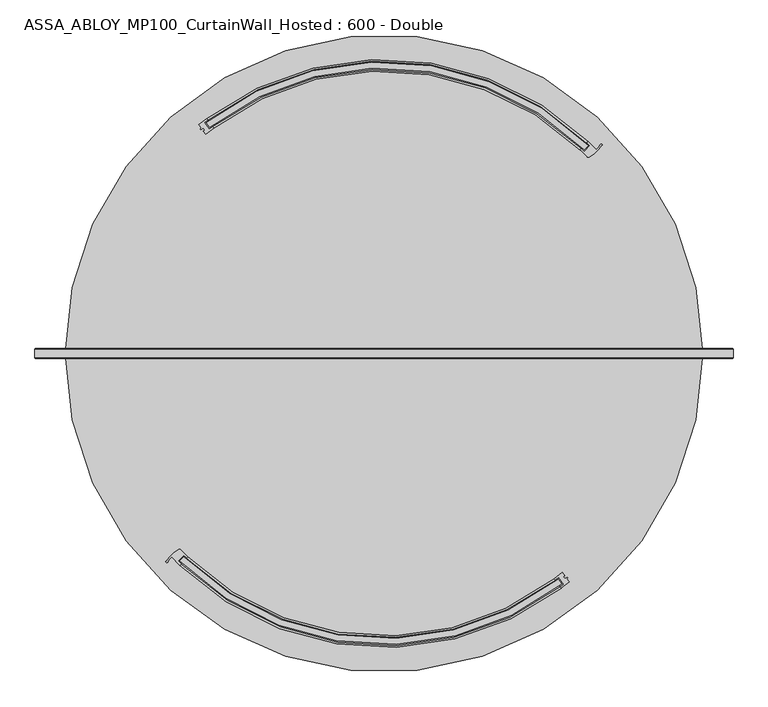
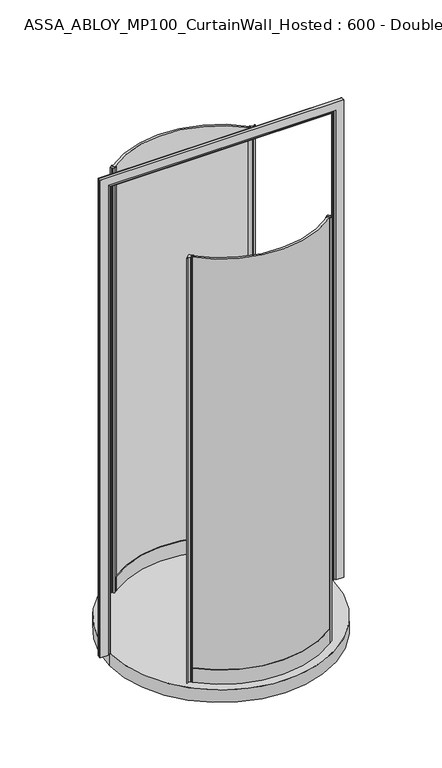
"""IFC4 building model written with IfcOpenShell, lengths in millimetres: plate geometry, ASSA_ABLOY_MP100_CurtainWall_Hosted : 600 - Double."""

import ifcopenshell
import ifcopenshell.guid

model = None  # the IFC model being written
_history = None  # IfcOwnerHistory: only IFC2X3 demands one
_inside = {}  # id of a spatial element -> (the spatial element, [elements in it])
_under = {}  # id of a project, library or spatial element -> (it, [spatial elements below it])
_declared = {}  # id of a project -> (the project, [libraries it declares])
_typed = {}  # id of a type object -> (the type object, [elements of that type])
_made_of = {}  # id of a material, layer set ... -> (it, [elements and type objects made of it])


def new_model(schema):
    """Start an empty IFC model of exactly this schema.

    Asked for "IFC4X3", IfcOpenShell would pick the latest addendum, in which some entities
    have other attributes; the version numbers below select the first issue.
    IFC2X3 requires an IfcOwnerHistory on every rooted entity: one is made here for all.
    """
    global model, _history
    if schema == "IFC4X3":
        model = ifcopenshell.file(schema_version=(4, 3, 0, 0))
    else:
        model = ifcopenshell.file(schema=schema)
    _inside.clear()
    _under.clear()
    _declared.clear()
    _typed.clear()
    _made_of.clear()
    _history = None
    if model.schema == "IFC2X3":
        org = make("IfcOrganization", Name="unknown")
        user = make(
            "IfcPersonAndOrganization",
            ThePerson=make("IfcPerson", FamilyName="unknown"),
            TheOrganization=org,
        )
        app = make(
            "IfcApplication",
            ApplicationDeveloper=org,
            Version="unknown",
            ApplicationFullName="unknown",
            ApplicationIdentifier="unknown",
        )
        _history = make(
            "IfcOwnerHistory",
            OwningUser=user,
            OwningApplication=app,
            ChangeAction="ADDED",
            CreationDate=0,
        )
    return model


def make(cls, **values):
    """One entity of the class cls with the attributes given. An attribute that is None is left unset."""
    return model.create_entity(
        cls, **{name: value for name, value in values.items() if value is not None}
    )


def rooted(cls, **values):
    """An entity with a GlobalId (a new one), such as an element, a storey or a relation."""
    return make(cls, GlobalId=ifcopenshell.guid.new(), OwnerHistory=_history, **values)


def si_unit(unit_type, name, prefix=None):
    """IfcSIUnit, for example si_unit("LENGTHUNIT", "METRE", prefix="MILLI")."""
    return make("IfcSIUnit", UnitType=unit_type, Prefix=prefix, Name=name)


def assignment(units):
    """IfcUnitAssignment: the units of a project."""
    return None if units is None else make("IfcUnitAssignment", Units=units)


def point(xyz):
    """IfcCartesianPoint."""
    return None if xyz is None else make("IfcCartesianPoint", Coordinates=xyz)


def direction(xyz):
    """IfcDirection."""
    return None if xyz is None else make("IfcDirection", DirectionRatios=xyz)


def frame(location, z_axis=None, x_axis=None):
    """IfcAxis2Placement3D, a coordinate frame: its origin and axes. An axis left out is left unset."""
    return make(
        "IfcAxis2Placement3D",
        Location=point(location),
        Axis=direction(z_axis),
        RefDirection=direction(x_axis),
    )


def frame_2d(location, x_axis=None):
    """IfcAxis2Placement2D, a coordinate frame in the plane: its origin and x axis."""
    return make(
        "IfcAxis2Placement2D", Location=point(location), RefDirection=direction(x_axis)
    )


def origin():
    """The frame at (0, 0, 0) with its axes left unset."""
    return frame((0.0, 0.0, 0.0))


def origin_with_axes():
    """The frame at (0, 0, 0) with the z axis (0, 0, 1) and the x axis (1, 0, 0) written out."""
    return frame((0.0, 0.0, 0.0), z_axis=(0.0, 0.0, 1.0), x_axis=(1.0, 0.0, 0.0))


def origin_2d():
    """The frame at (0, 0) in the plane with its x axis left unset."""
    return frame_2d((0.0, 0.0))


def place(relative_to, where):
    """IfcLocalPlacement: puts the frame where relative to a parent placement (None: the world)."""
    return make(
        "IfcLocalPlacement", PlacementRelTo=relative_to, RelativePlacement=where
    )


def context(
    kind, dimensions, precision=None, world=None, true_north=None, identifier=None
):
    """IfcGeometricRepresentationContext, for example the 3D "Model" context."""
    return make(
        "IfcGeometricRepresentationContext",
        ContextIdentifier=identifier,
        ContextType=kind,
        CoordinateSpaceDimension=dimensions,
        Precision=precision,
        WorldCoordinateSystem=world,
        TrueNorth=true_north,
    )


def project(units=None, contexts=None):
    """IfcProject with its units and contexts."""
    return rooted(
        "IfcProject",
        Name="project",
        RepresentationContexts=contexts,
        UnitsInContext=assignment(units),
    )


def spatial(cls, under=None, at=None, **own):
    """A site, building, storey or space (cls), placed at a placement, below another one or the project."""
    s = rooted(cls, ObjectPlacement=at, **own)
    if under is not None:
        _under.setdefault(under.id(), (under, []))[1].append(s)
    return s


def polyline(points):
    """IfcPolyline through the points."""
    return make("IfcPolyline", Points=[point(p) for p in points])


def circle_curve(where, radius):
    """IfcCircle in the frame where."""
    return make("IfcCircle", Position=where, Radius=radius)


def ellipse_curve(where, semi_axis1, semi_axis2):
    """IfcEllipse in the frame where."""
    return make(
        "IfcEllipse", Position=where, SemiAxis1=semi_axis1, SemiAxis2=semi_axis2
    )


def trimmed(basis, trim1, trim2, sense, master):
    """IfcTrimmedCurve: the piece of a basis curve between two trims."""
    return make(
        "IfcTrimmedCurve",
        BasisCurve=basis,
        Trim1=trim1,
        Trim2=trim2,
        SenseAgreement=sense,
        MasterRepresentation=master,
    )


def segment(curve, same_sense, transition):
    """IfcCompositeCurveSegment."""
    return make(
        "IfcCompositeCurveSegment",
        Transition=transition,
        SameSense=same_sense,
        ParentCurve=curve,
    )


def composite_curve(segments, self_intersect=None):
    """IfcCompositeCurve: segments joined end to end."""
    return make("IfcCompositeCurve", Segments=segments, SelfIntersect=self_intersect)


def outline(outer, holes=None, kind="AREA"):
    """IfcArbitraryClosedProfileDef: a profile drawn as a closed curve; with holes, ...WithVoids."""
    if holes is None:
        return make("IfcArbitraryClosedProfileDef", ProfileType=kind, OuterCurve=outer)
    return make(
        "IfcArbitraryProfileDefWithVoids",
        ProfileType=kind,
        OuterCurve=outer,
        InnerCurves=holes,
    )


def extrude(swept, where, along, depth):
    """IfcExtrudedAreaSolid: the profile swept, set in the frame where, extruded along a direction by depth."""
    return make(
        "IfcExtrudedAreaSolid",
        SweptArea=swept,
        Position=where,
        ExtrudedDirection=direction(along),
        Depth=depth,
    )


def shape(context_of_items, identifier, shape_type, items):
    """IfcShapeRepresentation: the items that make up one representation, for example the "Body"."""
    return make(
        "IfcShapeRepresentation",
        ContextOfItems=context_of_items,
        RepresentationIdentifier=identifier,
        RepresentationType=shape_type,
        Items=items,
    )


def source(mapping_origin, context_of_items, identifier, shape_type, items):
    """IfcRepresentationMap: a shape defined once, which mapped items show again and again."""
    return make(
        "IfcRepresentationMap",
        MappingOrigin=mapping_origin,
        MappedRepresentation=shape(context_of_items, identifier, shape_type, items),
    )


def transform(
    local_origin,
    x_axis=None,
    y_axis=None,
    z_axis=None,
    scale=None,
    scale2=None,
    scale3=None,
    uniform=True,
):
    """IfcCartesianTransformationOperator3D, or its non-uniform kind. x_axis, y_axis, z_axis: its Axis1, 2, 3."""
    if uniform:
        return make(
            "IfcCartesianTransformationOperator3D",
            Axis1=direction(x_axis),
            Axis2=direction(y_axis),
            LocalOrigin=point(local_origin),
            Scale=scale,
            Axis3=direction(z_axis),
        )
    return make(
        "IfcCartesianTransformationOperator3DnonUniform",
        Axis1=direction(x_axis),
        Axis2=direction(y_axis),
        LocalOrigin=point(local_origin),
        Scale=scale,
        Axis3=direction(z_axis),
        Scale2=scale2,
        Scale3=scale3,
    )


def mapped(mapping_source, mapping_target):
    """IfcMappedItem: shows the shape of a source again, moved by a transform."""
    return make(
        "IfcMappedItem", MappingSource=mapping_source, MappingTarget=mapping_target
    )


def made_of(thing, what):
    """Note that an element or type object is made of a material, layer set ...; save() writes the relation."""
    if what is not None:
        _made_of.setdefault(what.id(), (what, []))[1].append(thing)
    return thing


def element(
    cls,
    number,
    at=None,
    inside=None,
    cuts=None,
    type_object=None,
    material=None,
    context=None,
    identifier="Body",
    shape_type=None,
    held_by="IfcProductDefinitionShape",
    body=None,
    shapes=None,
    **own,
):
    """One element of the class cls, such as IfcWall. Its Tag is "e" and its number.

    at: its placement. inside: the storey or other place that contains it. cuts: it is an
    opening in that element (IfcRelVoidsElement). A single representation is given by context,
    identifier, shape_type and body (its items); several are given by shapes. held_by: the class
    of the entity that holds the representations. save() writes the other relations.
    """
    e = rooted(cls, Tag="e%d" % number, ObjectPlacement=at, **own)
    if body is not None:
        shapes = [shape(context, identifier, shape_type, body)]
    if shapes is not None:
        e.Representation = make(held_by, Representations=shapes)
    if inside is not None:
        _inside.setdefault(inside.id(), (inside, []))[1].append(e)
    if cuts is not None:
        rooted(
            "IfcRelVoidsElement", RelatingBuildingElement=cuts, RelatedOpeningElement=e
        )
    if type_object is not None:
        _typed.setdefault(type_object.id(), (type_object, []))[1].append(e)
    return made_of(e, material)


def aggregate(whole, parts):
    """IfcRelAggregates: a whole, such as a stair, and the parts it consists of."""
    return rooted("IfcRelAggregates", RelatingObject=whole, RelatedObjects=parts)


def save(model, path):
    """Write the relations noted so far, then the file.

    IfcRelAggregates (storeys below a building ...), IfcRelContainedInSpatialStructure (elements
    in a storey), IfcRelDefinesByType, IfcRelAssociatesMaterial and IfcRelDeclares: one each for
    every whole, place, type object, material and project.
    """
    for whole, parts in _under.values():
        aggregate(whole, parts)
    for where, things in _inside.values():
        rooted(
            "IfcRelContainedInSpatialStructure",
            RelatedElements=things,
            RelatingStructure=where,
        )
    for kind, things in _typed.values():
        rooted("IfcRelDefinesByType", RelatedObjects=things, RelatingType=kind)
    for what, things in _made_of.values():
        rooted("IfcRelAssociatesMaterial", RelatedObjects=things, RelatingMaterial=what)
    for by, libraries in _declared.values():
        rooted("IfcRelDeclares", RelatingContext=by, RelatedDefinitions=libraries)
    model.write(path)


def plane_surface(at):
    """IfcPlane: the flat surface through the origin of the frame at, square to its z axis."""
    return make("IfcPlane", Position=at)


def cylinder_surface(at, radius):
    """IfcCylindricalSurface: all points at the distance radius from the z axis of the frame at."""
    return make("IfcCylindricalSurface", Position=at, Radius=radius)


def revolved_surface(curve, axis_point, axis_direction):
    """IfcSurfaceOfRevolution: the curve turned about the line through axis_point along axis_direction."""
    return make(
        "IfcSurfaceOfRevolution",
        SweptCurve=make("IfcArbitraryOpenProfileDef", ProfileType="CURVE", Curve=curve),
        AxisPosition=make("IfcAxis1Placement", Location=point(axis_point), Axis=direction(axis_direction)),
    )


def advanced_brep(points, edges, surfaces, faces):
    """IfcAdvancedBrep: a solid bounded by faces that lie on surfaces and meet in shared edges.

    An edge is (start, end): straight between two places in points (the first is 0);
    or (start, end, curve); or (start, end, curve, False) where it runs against its curve.
    A face is (place in surfaces, loops), or (place, loops, False) where it looks against
    its surface's normal. A loop lists edges by number (the first is 1), with a minus sign
    where the edge is run from its end to its start. The first loop is the outer one.
    """
    corners = [point(p) for p in points]
    vertices = [make("IfcVertexPoint", VertexGeometry=c) for c in corners]
    made = []
    for start, end, *more in edges:
        made.append(
            make(
                "IfcEdgeCurve",
                EdgeStart=vertices[start],
                EdgeEnd=vertices[end],
                EdgeGeometry=more[0] if more else make("IfcPolyline", Points=[corners[start], corners[end]]),
                SameSense=more[1] if len(more) > 1 else True,
            )
        )
    hull = []
    for where, loops, *sense in faces:
        bounds = []
        for j, loop in enumerate(loops):
            ring = [make("IfcOrientedEdge", EdgeElement=made[abs(k) - 1], Orientation=k > 0) for k in loop]
            bounds.append(
                make(
                    "IfcFaceOuterBound" if j == 0 else "IfcFaceBound",
                    Bound=make("IfcEdgeLoop", EdgeList=ring),
                    Orientation=True,
                )
            )
        hull.append(make("IfcAdvancedFace", Bounds=bounds, FaceSurface=surfaces[where], SameSense=sense[0] if sense else True))
    return make("IfcAdvancedBrep", Outer=make("IfcClosedShell", CfsFaces=hull))


def assa_abloy_mp100_curtainwall_hosted_600_double_a753dd44(model_context):
    return source(origin(), model_context, "Body", "SolidModel", [
        extrude(outline(composite_curve([segment(trimmed(circle_curve(origin_2d(), 488.5), [point((-342.4730748, -348.3452929))], [point((298.3837235, -386.7808211))], True, "CARTESIAN"), True, "CONTINUOUS"), segment(polyline([(298.3837235, -386.7808211), (304.413428, -394.7590592)]), True, "CONTINUOUS"), segment(trimmed(circle_curve(origin_2d(), 498.5), [point((304.413428, -394.7590592))], [point((-349.4107835, -355.5479635))], False, "CARTESIAN"), True, "CONTINUOUS"), segment(polyline([(-349.4107835, -355.5479635), (-342.4730748, -348.3452929)]), True, "CONTINUOUS")], self_intersect=False)), origin_with_axes(), (0.0, 0.0, 1.0), 2200.0),
        extrude(outline(composite_curve([segment(polyline([(304.904292, -375.240753), (309.0151728, -380.6800885), (307.0207092, -382.1874421), (309.1310043, -384.9796912), (313.7166643, -383.1194323), (314.3848915, -384.0036009), (312.9333684, -385.8644715), (316.9702852, -391.2059411)]), True, "CONTINUOUS"), segment(trimmed(circle_curve(origin_2d(), 503.5), [point((316.9702852, -391.2059411))], [point((303.5810209, -401.6849683))], False, "CARTESIAN"), True, "CONTINUOUS"), segment(polyline([(303.5810209, -401.6849683), (301.7721965, -399.291612)]), True, "CONTINUOUS"), segment(trimmed(circle_curve(origin_2d(), 500.5), [point((301.7721965, -399.291612))], [point((307.3271785, -395.0319675))], True, "CARTESIAN"), True, "CONTINUOUS"), segment(polyline([(307.3271785, -395.0319675), (298.8851487, -383.8618474)]), True, "CONTINUOUS"), segment(trimmed(circle_curve(origin_2d(), 486.5), [point((298.8851487, -383.8618474))], [point((293.3097732, -388.1386697))], False, "CARTESIAN"), True, "CONTINUOUS"), segment(polyline([(293.3097732, -388.1386697), (291.5221918, -385.7292595)]), True, "CONTINUOUS"), segment(trimmed(circle_curve(origin_2d(), 483.5), [point((291.5221918, -385.7292595))], [point((304.904292, -375.240753))], True, "CARTESIAN"), True, "CONTINUOUS")], self_intersect=False)), origin_with_axes(), (0.0, 0.0, 1.0), 2200.0),
        advanced_brep(
        [(-342.5060979, -345.5018646, 0.0), (-352.2074309, -355.5978376, 0.0), (-347.1960228, -360.4854227, 0.0), (-349.2746437, -362.6485998, 0.0), (-363.1208867, -348.782437, 0.0), (-370.2858249, -357.4743849, 0.0), (-372.8573749, -356.1584272, 0.0), (-350.9902422, -335.872331, 0.0), (-347.3082378, -336.3709579, 0.0), (-335.4171707, -348.2274195, 0.0), (-337.4957917, -350.3905965, 0.0), (-342.5060979, -345.5018646, 2200.0), (-337.4957917, -350.3905965, 2200.0), (-335.4171707, -348.2274195, 2200.0), (-347.3082378, -336.3709579, 2200.0), (-350.9902422, -335.872331, 2200.0), (-372.8573749, -356.1584272, 2200.0), (-370.2996309, -357.4671714, 2200.0), (-363.1208867, -348.782437, 2200.0), (-349.2746437, -362.6485998, 2200.0), (-347.1960228, -360.4854227, 2200.0), (-352.2074309, -355.5978376, 2200.0)],
        [
            (0, 1),
            (1, 2, circle_curve(frame((-20.5060967, -20.5060967, 0.0), z_axis=(0.0, 0.0, 1.0), x_axis=(-0.7071067811865531, 0.7071067811865418, 0.0)), 471.5)),
            (2, 3),
            (3, 4, circle_curve(frame((-20.5060967, -20.5060967, 0.0), z_axis=(0.0, 0.0, -1.0), x_axis=(-0.7071067811865531, 0.7071067811865418, 0.0)), 474.5)),
            (4, 5, circle_curve(frame((-346.1026691, -370.1099496, 0.0), z_axis=(0.0, 0.0, 1.0), x_axis=(-0.7071067811865531, 0.7071067811865418, 0.0)), 27.285207)),
            (5, 6, circle_curve(frame((-371.5729186, -356.8018856, 0.0), z_axis=(0.0, 0.0, -1.0), x_axis=(-0.7071067811865531, 0.7071067811865418, 0.0)), 1.4366164)),
            (6, 7, circle_curve(frame((-315.40937, -396.1550112, 0.0), z_axis=(0.0, 0.0, -1.0), x_axis=(-0.7071067811865531, 0.7071067811865418, 0.0)), 70.0)),
            (7, 8, circle_curve(frame((-349.4653476, -338.4558744, 0.0), z_axis=(0.0, 0.0, -1.0), x_axis=(-0.7071067811865531, 0.7071067811865418, 0.0)), 3.0)),
            (8, 9, circle_curve(frame((-20.5060967, -20.5060967, 0.0), z_axis=(0.0, 0.0, 1.0), x_axis=(-0.7071067811865531, 0.7071067811865418, 0.0)), 454.5)),
            (9, 10),
            (10, 0, circle_curve(frame((-20.5060967, -20.5060967, 0.0), z_axis=(0.0, 0.0, -1.0), x_axis=(-0.7071067811865531, 0.7071067811865418, 0.0)), 457.5)),
            (11, 12, circle_curve(frame((-20.5060967, -20.5060967, 2200.0), z_axis=(0.0, 0.0, 1.0), x_axis=(-0.7071067811865531, 0.7071067811865418, 0.0)), 457.5)),
            (12, 13),
            (13, 14, circle_curve(frame((-20.5060967, -20.5060967, 2200.0), z_axis=(0.0, 0.0, -1.0), x_axis=(-0.7071067811865531, 0.7071067811865418, 0.0)), 454.5)),
            (14, 15, circle_curve(frame((-349.4653476, -338.4558744, 2200.0), z_axis=(0.0, 0.0, 1.0), x_axis=(-0.7071067811865531, 0.7071067811865418, 0.0)), 3.0)),
            (15, 16, circle_curve(frame((-315.40937, -396.1550112, 2200.0), z_axis=(0.0, 0.0, 1.0), x_axis=(-0.7071067811865531, 0.7071067811865418, 0.0)), 70.0)),
            (16, 17, circle_curve(frame((-371.5729186, -356.8018856, 2200.0), z_axis=(0.0, 0.0, 1.0), x_axis=(-0.7071067811865531, 0.7071067811865418, 0.0)), 1.4366164)),
            (17, 18, circle_curve(frame((-346.1026691, -370.1099496, 2200.0), z_axis=(0.0, 0.0, -1.0), x_axis=(-0.7071067811865531, 0.7071067811865418, 0.0)), 27.285207)),
            (18, 19, circle_curve(frame((-20.5060967, -20.5060967, 2200.0), z_axis=(0.0, 0.0, 1.0), x_axis=(-0.7071067811865531, 0.7071067811865418, 0.0)), 474.5)),
            (19, 20),
            (20, 21, circle_curve(frame((-20.5060967, -20.5060967, 2200.0), z_axis=(0.0, 0.0, -1.0), x_axis=(-0.7071067811865531, 0.7071067811865418, 0.0)), 471.5)),
            (21, 11),
            (0, 11),
            (21, 1),
            (20, 2),
            (19, 3),
            (18, 4),
            (8, 14),
            (13, 9),
            (12, 10),
            (17, 5),
            (16, 6),
            (15, 7),
        ],
        [
            plane_surface(frame((-341.8861287, -341.8861287, 0.0), z_axis=(0.0, 0.0, -1.0000000000000002), x_axis=(-0.7071067811865419, -0.7071067811865532, 0.0))),
            plane_surface(frame((-341.8861287, -341.8861287, 2200.0), z_axis=(0.0, 0.0, 1.0000000000000002), x_axis=(-0.7071067811865419, -0.7071067811865532, 0.0))),
            plane_surface(frame((-342.5060979, -345.5018646, 0.0), z_axis=(0.7210590160944299, -0.692873650320845, 0.0), x_axis=(0.0, 0.0, 1.0))),
            revolved_surface(polyline([(-353.9069440294598, 312.89475062945445, 2200.0), (-353.9069440294598, 312.89475062945445, 0.0)]), (-20.5060967, -20.5060967, 0.0), (0.0, 0.0, 1.0)),
            plane_surface(frame((-347.1960228, -360.4854227, 0.0), z_axis=(0.7210590160945624, -0.6928736503207072, 0.0), x_axis=(0.0, 0.0, 1.0))),
            cylinder_surface(frame((-20.5060967, -20.5060967, 0.0), z_axis=(0.0, 0.0, -1.0), x_axis=(-0.7071067811865531, 0.7071067811865418, 0.0)), 474.5),
            revolved_surface(polyline([(-341.8861287492884, 300.8739353492833, 2200.0), (-341.8861287492884, 300.8739353492833, 0.0)]), (-20.5060967, -20.5060967, 0.0), (0.0, 0.0, 1.0)),
            plane_surface(frame((-335.4171707, -348.2274195, 0.0), z_axis=(0.7210590160946411, -0.6928736503206254, 0.0), x_axis=(0.0, 0.0, 1.0))),
            cylinder_surface(frame((-20.5060967, -20.5060967, 0.0), z_axis=(0.0, 0.0, -1.0), x_axis=(-0.7071067811865531, 0.7071067811865418, 0.0)), 457.5),
            revolved_surface(polyline([(-365.3962239957788, -350.81639470422147, 2200.0), (-365.3962239957788, -350.81639470422147, 0.0)]), (-346.1026691, -370.1099496, 0.0), (0.0, 0.0, 1.0)),
            cylinder_surface(frame((-371.5729186, -356.8018856, 0.0), z_axis=(0.0, 0.0, -1.0), x_axis=(-0.7071067811865531, 0.7071067811865418, 0.0)), 1.4366164),
            cylinder_surface(frame((-315.40937, -396.1550112, 0.0), z_axis=(0.0, 0.0, -1.0), x_axis=(-0.7071067811865531, 0.7071067811865418, 0.0)), 70.0),
            cylinder_surface(frame((-349.4653476, -338.4558744, 0.0), z_axis=(0.0, 0.0, -1.0), x_axis=(-0.7071067811865531, 0.7071067811865418, 0.0)), 3.0),
        ],
        [
            (0, [[1, 2, 3, 4, 5, 6, 7, 8, 9, 10, 11]]),
            (1, [[12, 13, 14, 15, 16, 17, 18, 19, 20, 21, 22]]),
            (2, [[-1, 23, -22, 24]]),
            (3, [[-2, -24, -21, 25]]),
            (4, [[-3, -25, -20, 26]]),
            (5, [[-4, -26, -19, 27]]),
            (6, [[-9, 28, -14, 29]]),
            (7, [[-10, -29, -13, 30]]),
            (8, [[-11, -30, -12, -23]]),
            (9, [[-5, -27, -18, 31]]),
            (10, [[-6, -31, -17, 32]]),
            (11, [[-7, -32, -16, 33]]),
            (12, [[-8, -33, -15, -28]]),
        ],
    ),
        advanced_brep(
        [(-335.4210001, -348.2312489, 73.0), (-335.4210001, -348.2312489, 0.0), (-337.5022059, -350.3919391, 0.0), (-337.5022059, -350.3919391, 24.0), (-347.2144996, -360.4751604, 24.0), (-347.2144996, -360.4751604, 0.0), (-349.2957054, -362.6358507, 0.0), (-349.2957054, -362.6358507, 73.0), (-347.2144996, -360.4751604, 73.0), (-347.2144996, -360.4751604, 39.0), (-337.5022059, -350.3919391, 39.0), (-337.5022059, -350.3919391, 73.0), (291.5221918, -385.7292595, 73.0), (293.3310162, -388.1226159, 73.0), (293.3310162, -388.1226159, 39.0), (301.7721965, -399.291612, 39.0), (301.7721965, -399.291612, 73.0), (303.5810209, -401.6849683, 73.0), (303.5810209, -401.6849683, 0.0), (301.7721965, -399.291612, 0.0), (301.7721965, -399.291612, 24.0), (293.3310162, -388.1226159, 24.0), (293.3310162, -388.1226159, 0.0), (291.5221918, -385.7292595, 0.0)],
        [
            (0, 1),
            (1, 2),
            (2, 3),
            (3, 4),
            (4, 5),
            (5, 6),
            (6, 7),
            (7, 8),
            (8, 9),
            (9, 10),
            (10, 11),
            (11, 0),
            (12, 13),
            (13, 14),
            (14, 15),
            (15, 16),
            (16, 17),
            (17, 18),
            (18, 19),
            (19, 20),
            (20, 21),
            (21, 22),
            (22, 23),
            (23, 12),
            (23, 1, circle_curve(frame((0.0, 0.0, 0.0), z_axis=(0.0, 0.0, -1.0), x_axis=(-0.6937352639397907, -0.720230090711565, 0.0)), 483.5)),
            (0, 12, circle_curve(frame((0.0, 0.0, 73.0), z_axis=(0.0, 0.0, 1.0), x_axis=(-0.6937352639397907, -0.720230090711565, 0.0)), 483.5)),
            (22, 2, circle_curve(frame((0.0, 0.0, 0.0), z_axis=(0.0, 0.0, -1.0), x_axis=(-0.6937352639397907, -0.720230090711565, 0.0)), 486.5)),
            (21, 3, circle_curve(frame((0.0, 0.0, 24.0), z_axis=(0.0, 0.0, -1.0), x_axis=(-0.6937352639397907, -0.720230090711565, 0.0)), 486.5)),
            (20, 4, circle_curve(frame((0.0, 0.0, 24.0), z_axis=(0.0, 0.0, -1.0), x_axis=(-0.6937352639397907, -0.720230090711565, 0.0)), 500.5)),
            (19, 5, circle_curve(frame((0.0, 0.0, 0.0), z_axis=(0.0, 0.0, -1.0), x_axis=(-0.6937352639397907, -0.720230090711565, 0.0)), 500.5)),
            (18, 6, circle_curve(frame((0.0, 0.0, 0.0), z_axis=(0.0, 0.0, -1.0), x_axis=(-0.6937352639397907, -0.720230090711565, 0.0)), 503.5)),
            (17, 7, circle_curve(frame((0.0, 0.0, 73.0), z_axis=(0.0, 0.0, -1.0), x_axis=(-0.6937352639397907, -0.720230090711565, 0.0)), 503.5)),
            (16, 8, circle_curve(frame((0.0, 0.0, 73.0), z_axis=(0.0, 0.0, -1.0), x_axis=(-0.6937352639397907, -0.720230090711565, 0.0)), 500.5)),
            (15, 9, circle_curve(frame((0.0, 0.0, 39.0), z_axis=(0.0, 0.0, -1.0), x_axis=(-0.6937352639397907, -0.720230090711565, 0.0)), 500.5)),
            (14, 10, circle_curve(frame((0.0, 0.0, 39.0), z_axis=(0.0, 0.0, -1.0), x_axis=(-0.6937352639397907, -0.720230090711565, 0.0)), 486.5)),
            (13, 11, circle_curve(frame((0.0, 0.0, 73.0), z_axis=(0.0, 0.0, -1.0), x_axis=(-0.6937352639397907, -0.720230090711565, 0.0)), 486.5)),
        ],
        [
            plane_surface(frame((-335.4210001, -348.2312489, 0.0), z_axis=(-0.7202300907115649, 0.6937352639397907, 0.0), x_axis=(0.0, 0.0, 1.0))),
            plane_surface(frame((291.5221918, -385.7292595, 0.0), z_axis=(0.7977854385645219, 0.6029414515642572, 0.0), x_axis=(0.0, 0.0, 1.0))),
            revolved_surface(polyline([(-335.4210001148888, -348.23124885904167, 73.00000000000003), (-335.4210001148888, -348.23124885904167, 0.0)]), (0.0, 0.0, 0.0), (0.0, 0.0, 1.0000000000000002)),
            plane_surface(frame((0.0, 0.0, 0.0), z_axis=(0.0, 0.0, -1.0000000000000002), x_axis=(-0.6937352639397907, -0.720230090711565, 0.0))),
            cylinder_surface(frame((0.0, 0.0, 0.0), z_axis=(0.0, 0.0, 1.0000000000000002), x_axis=(-0.6937352639397907, -0.720230090711565, 0.0)), 486.5),
            plane_surface(frame((0.0, 0.0, 24.0), z_axis=(0.0, 0.0, -1.0000000000000002), x_axis=(-0.6937352639397907, -0.720230090711565, 0.0))),
            revolved_surface(polyline([(-347.2144996018652, -360.4751604011383, 24.000000000000014), (-347.2144996018652, -360.4751604011383, 0.0)]), (0.0, 0.0, 0.0), (0.0, 0.0, 1.0000000000000002)),
            cylinder_surface(frame((0.0, 0.0, 0.0), z_axis=(0.0, 0.0, 1.0000000000000002), x_axis=(-0.6937352639397907, -0.720230090711565, 0.0)), 503.5),
            plane_surface(frame((0.0, 0.0, 73.0), z_axis=(0.0, 0.0, 1.0000000000000002), x_axis=(-0.6937352639397907, -0.720230090711565, 0.0))),
            revolved_surface(polyline([(-347.2144996018652, -360.4751604011383, 73.00000000000003), (-347.2144996018652, -360.4751604011383, 39.000000000000014)]), (0.0, 0.0, 0.0), (0.0, 0.0, 1.0000000000000002)),
            plane_surface(frame((0.0, 0.0, 39.0), z_axis=(0.0, 0.0, 1.0000000000000002), x_axis=(-0.6937352639397907, -0.720230090711565, 0.0))),
        ],
        [
            (0, [[1, 2, 3, 4, 5, 6, 7, 8, 9, 10, 11, 12]]),
            (1, [[13, 14, 15, 16, 17, 18, 19, 20, 21, 22, 23, 24]]),
            (2, [[25, -1, 26, -24]]),
            (3, [[27, -2, -25, -23]]),
            (4, [[28, -3, -27, -22]]),
            (5, [[29, -4, -28, -21]]),
            (6, [[30, -5, -29, -20]]),
            (3, [[31, -6, -30, -19]]),
            (7, [[32, -7, -31, -18]]),
            (8, [[33, -8, -32, -17]]),
            (9, [[34, -9, -33, -16]]),
            (10, [[35, -10, -34, -15]]),
            (4, [[36, -11, -35, -14]]),
            (8, [[-26, -12, -36, -13]]),
        ],
    ),
        extrude(outline(composite_curve([segment(trimmed(circle_curve(origin_2d(), 488.5), [point((342.4730748, 348.3452929))], [point((-298.3837235, 386.7808211))], True, "CARTESIAN"), True, "CONTINUOUS"), segment(polyline([(-298.3837235, 386.7808211), (-304.413428, 394.7590592)]), True, "CONTINUOUS"), segment(trimmed(circle_curve(origin_2d(), 498.5), [point((-304.413428, 394.7590592))], [point((349.4107835, 355.5479635))], False, "CARTESIAN"), True, "CONTINUOUS"), segment(polyline([(349.4107835, 355.5479635), (342.4730748, 348.3452929)]), True, "CONTINUOUS")], self_intersect=False)), origin_with_axes(), (0.0, 0.0, 1.0), 2200.0),
        extrude(outline(composite_curve([segment(polyline([(-304.904292, 375.240753), (-309.0151728, 380.6800885), (-307.0207092, 382.1874421), (-309.1310043, 384.9796912), (-313.7166643, 383.1194323), (-314.3848915, 384.0036009), (-312.9333684, 385.8644715), (-316.9702852, 391.2059411)]), True, "CONTINUOUS"), segment(trimmed(circle_curve(origin_2d(), 503.5), [point((-316.9702852, 391.2059411))], [point((-303.5810209, 401.6849683))], False, "CARTESIAN"), True, "CONTINUOUS"), segment(polyline([(-303.5810209, 401.6849683), (-301.7721965, 399.291612)]), True, "CONTINUOUS"), segment(trimmed(circle_curve(origin_2d(), 500.5), [point((-301.7721965, 399.291612))], [point((-307.3271785, 395.0319675))], True, "CARTESIAN"), True, "CONTINUOUS"), segment(polyline([(-307.3271785, 395.0319675), (-298.8851487, 383.8618474)]), True, "CONTINUOUS"), segment(trimmed(circle_curve(origin_2d(), 486.5), [point((-298.8851487, 383.8618474))], [point((-293.3097732, 388.1386697))], False, "CARTESIAN"), True, "CONTINUOUS"), segment(polyline([(-293.3097732, 388.1386697), (-291.5221918, 385.7292595)]), True, "CONTINUOUS"), segment(trimmed(circle_curve(origin_2d(), 483.5), [point((-291.5221918, 385.7292595))], [point((-304.904292, 375.240753))], True, "CARTESIAN"), True, "CONTINUOUS")], self_intersect=False)), origin_with_axes(), (0.0, 0.0, 1.0), 2200.0),
        advanced_brep(
        [(342.5060979, 345.5018646, 0.0), (352.2074309, 355.5978376, 0.0), (347.1960228, 360.4854227, 0.0), (349.2746437, 362.6485998, 0.0), (363.1208867, 348.782437, 0.0), (370.2858249, 357.4743849, 0.0), (372.8573749, 356.1584272, 0.0), (350.9902422, 335.872331, 0.0), (347.3082378, 336.3709579, 0.0), (335.4171707, 348.2274195, 0.0), (337.4957917, 350.3905965, 0.0), (342.5060979, 345.5018646, 2200.0), (337.4957917, 350.3905965, 2200.0), (335.4171707, 348.2274195, 2200.0), (347.3082378, 336.3709579, 2200.0), (350.9902422, 335.872331, 2200.0), (372.8573749, 356.1584272, 2200.0), (370.2996309, 357.4671714, 2200.0), (363.1208867, 348.782437, 2200.0), (349.2746437, 362.6485998, 2200.0), (347.1960228, 360.4854227, 2200.0), (352.2074309, 355.5978376, 2200.0)],
        [
            (0, 1),
            (1, 2, circle_curve(frame((20.5060967, 20.5060967, 0.0), z_axis=(0.0, 0.0, 1.0), x_axis=(0.7071067811865526, -0.7071067811865416, 0.0)), 471.5)),
            (2, 3),
            (3, 4, circle_curve(frame((20.5060967, 20.5060967, 0.0), z_axis=(0.0, 0.0, -1.0), x_axis=(0.7071067811865526, -0.7071067811865416, 0.0)), 474.5)),
            (4, 5, circle_curve(frame((346.1026691, 370.1099496, 0.0), z_axis=(0.0, 0.0, 1.0), x_axis=(0.7071067811865526, -0.7071067811865416, 0.0)), 27.285207)),
            (5, 6, circle_curve(frame((371.5729186, 356.8018856, 0.0), z_axis=(0.0, 0.0, -1.0), x_axis=(0.7071067811865526, -0.7071067811865416, 0.0)), 1.4366164)),
            (6, 7, circle_curve(frame((315.40937, 396.1550112, 0.0), z_axis=(0.0, 0.0, -1.0), x_axis=(0.7071067811865526, -0.7071067811865416, 0.0)), 70.0)),
            (7, 8, circle_curve(frame((349.4653476, 338.4558744, 0.0), z_axis=(0.0, 0.0, -1.0), x_axis=(0.7071067811865526, -0.7071067811865416, 0.0)), 3.0)),
            (8, 9, circle_curve(frame((20.5060967, 20.5060967, 0.0), z_axis=(0.0, 0.0, 1.0), x_axis=(0.7071067811865526, -0.7071067811865416, 0.0)), 454.5)),
            (9, 10),
            (10, 0, circle_curve(frame((20.5060967, 20.5060967, 0.0), z_axis=(0.0, 0.0, -1.0), x_axis=(0.7071067811865526, -0.7071067811865416, 0.0)), 457.5)),
            (11, 12, circle_curve(frame((20.5060967, 20.5060967, 2200.0), z_axis=(0.0, 0.0, 1.0), x_axis=(0.7071067811865526, -0.7071067811865416, 0.0)), 457.5)),
            (12, 13),
            (13, 14, circle_curve(frame((20.5060967, 20.5060967, 2200.0), z_axis=(0.0, 0.0, -1.0), x_axis=(0.7071067811865526, -0.7071067811865416, 0.0)), 454.5)),
            (14, 15, circle_curve(frame((349.4653476, 338.4558744, 2200.0), z_axis=(0.0, 0.0, 1.0), x_axis=(0.7071067811865526, -0.7071067811865416, 0.0)), 3.0)),
            (15, 16, circle_curve(frame((315.40937, 396.1550112, 2200.0), z_axis=(0.0, 0.0, 1.0), x_axis=(0.7071067811865526, -0.7071067811865416, 0.0)), 70.0)),
            (16, 17, circle_curve(frame((371.5729186, 356.8018856, 2200.0), z_axis=(0.0, 0.0, 1.0), x_axis=(0.7071067811865526, -0.7071067811865416, 0.0)), 1.4366164)),
            (17, 18, circle_curve(frame((346.1026691, 370.1099496, 2200.0), z_axis=(0.0, 0.0, -1.0), x_axis=(0.7071067811865526, -0.7071067811865416, 0.0)), 27.285207)),
            (18, 19, circle_curve(frame((20.5060967, 20.5060967, 2200.0), z_axis=(0.0, 0.0, 1.0), x_axis=(0.7071067811865526, -0.7071067811865416, 0.0)), 474.5)),
            (19, 20),
            (20, 21, circle_curve(frame((20.5060967, 20.5060967, 2200.0), z_axis=(0.0, 0.0, -1.0), x_axis=(0.7071067811865526, -0.7071067811865416, 0.0)), 471.5)),
            (21, 11),
            (0, 11),
            (21, 1),
            (20, 2),
            (19, 3),
            (18, 4),
            (8, 14),
            (13, 9),
            (12, 10),
            (17, 5),
            (16, 6),
            (15, 7),
        ],
        [
            plane_surface(frame((341.8861287, 341.8861287, 0.0), z_axis=(0.0, 0.0, -1.0), x_axis=(0.707106781186542, 0.707106781186553, 0.0))),
            plane_surface(frame((341.8861287, 341.8861287, 2200.0), z_axis=(0.0, 0.0, 1.0), x_axis=(0.707106781186542, 0.707106781186553, 0.0))),
            plane_surface(frame((342.5060979, 345.5018646, 0.0), z_axis=(-0.7210590160944298, 0.6928736503208452, 0.0), x_axis=(0.0, 0.0, 1.0))),
            revolved_surface(polyline([(353.9069440294595, -312.89475062945434, 2200.0), (353.9069440294595, -312.89475062945434, 0.0)]), (20.5060967, 20.5060967, 0.0), (0.0, 0.0, 1.0)),
            plane_surface(frame((347.1960228, 360.4854227, 0.0), z_axis=(-0.7210590160945622, 0.6928736503207075, 0.0), x_axis=(0.0, 0.0, 1.0))),
            cylinder_surface(frame((20.5060967, 20.5060967, 0.0), z_axis=(0.0, 0.0, -1.0), x_axis=(0.7071067811865526, -0.7071067811865416, 0.0)), 474.5),
            revolved_surface(polyline([(341.88612874928816, -300.87393534928316, 2200.0), (341.88612874928816, -300.87393534928316, 0.0)]), (20.5060967, 20.5060967, 0.0), (0.0, 0.0, 1.0)),
            plane_surface(frame((335.4171707, 348.2274195, 0.0), z_axis=(-0.7210590160946408, 0.6928736503206255, 0.0), x_axis=(0.0, 0.0, 1.0))),
            cylinder_surface(frame((20.5060967, 20.5060967, 0.0), z_axis=(0.0, 0.0, -1.0), x_axis=(0.7071067811865526, -0.7071067811865416, 0.0)), 457.5),
            revolved_surface(polyline([(365.3962239957788, 350.8163947042215, 2200.0), (365.3962239957788, 350.8163947042215, 0.0)]), (346.1026691, 370.1099496, 0.0), (0.0, 0.0, 1.0)),
            cylinder_surface(frame((371.5729186, 356.8018856, 0.0), z_axis=(0.0, 0.0, -1.0), x_axis=(0.7071067811865526, -0.7071067811865416, 0.0)), 1.4366164),
            cylinder_surface(frame((315.40937, 396.1550112, 0.0), z_axis=(0.0, 0.0, -1.0), x_axis=(0.7071067811865526, -0.7071067811865416, 0.0)), 70.0),
            cylinder_surface(frame((349.4653476, 338.4558744, 0.0), z_axis=(0.0, 0.0, -1.0), x_axis=(0.7071067811865526, -0.7071067811865416, 0.0)), 3.0),
        ],
        [
            (0, [[1, 2, 3, 4, 5, 6, 7, 8, 9, 10, 11]]),
            (1, [[12, 13, 14, 15, 16, 17, 18, 19, 20, 21, 22]]),
            (2, [[-1, 23, -22, 24]]),
            (3, [[-2, -24, -21, 25]]),
            (4, [[-3, -25, -20, 26]]),
            (5, [[-4, -26, -19, 27]]),
            (6, [[-9, 28, -14, 29]]),
            (7, [[-10, -29, -13, 30]]),
            (8, [[-11, -30, -12, -23]]),
            (9, [[-5, -27, -18, 31]]),
            (10, [[-6, -31, -17, 32]]),
            (11, [[-7, -32, -16, 33]]),
            (12, [[-8, -33, -15, -28]]),
        ],
    ),
        advanced_brep(
        [(335.4210001, 348.2312489, 73.0), (335.4210001, 348.2312489, 0.0), (337.5022059, 350.3919391, 0.0), (337.5022059, 350.3919391, 24.0), (347.2144996, 360.4751604, 24.0), (347.2144996, 360.4751604, 0.0), (349.2957054, 362.6358507, 0.0), (349.2957054, 362.6358507, 73.0), (347.2144996, 360.4751604, 73.0), (347.2144996, 360.4751604, 39.0), (337.5022059, 350.3919391, 39.0), (337.5022059, 350.3919391, 73.0), (-291.5221918, 385.7292595, 73.0), (-293.3310162, 388.1226159, 73.0), (-293.3310162, 388.1226159, 39.0), (-301.7721965, 399.291612, 39.0), (-301.7721965, 399.291612, 73.0), (-303.5810209, 401.6849683, 73.0), (-303.5810209, 401.6849683, 0.0), (-301.7721965, 399.291612, 0.0), (-301.7721965, 399.291612, 24.0), (-293.3310162, 388.1226159, 24.0), (-293.3310162, 388.1226159, 0.0), (-291.5221918, 385.7292595, 0.0)],
        [
            (0, 1),
            (1, 2),
            (2, 3),
            (3, 4),
            (4, 5),
            (5, 6),
            (6, 7),
            (7, 8),
            (8, 9),
            (9, 10),
            (10, 11),
            (11, 0),
            (12, 13),
            (13, 14),
            (14, 15),
            (15, 16),
            (16, 17),
            (17, 18),
            (18, 19),
            (19, 20),
            (20, 21),
            (21, 22),
            (22, 23),
            (23, 12),
            (23, 1, circle_curve(frame((0.0, 0.0, 0.0), z_axis=(0.0, 0.0, -1.0), x_axis=(0.6937352639397905, 0.7202300907115643, 0.0)), 483.5)),
            (0, 12, circle_curve(frame((0.0, 0.0, 73.0), z_axis=(0.0, 0.0, 1.0), x_axis=(0.6937352639397905, 0.7202300907115643, 0.0)), 483.5)),
            (22, 2, circle_curve(frame((0.0, 0.0, 0.0), z_axis=(0.0, 0.0, -1.0), x_axis=(0.6937352639397905, 0.7202300907115643, 0.0)), 486.5)),
            (21, 3, circle_curve(frame((0.0, 0.0, 24.0), z_axis=(0.0, 0.0, -1.0), x_axis=(0.6937352639397905, 0.7202300907115643, 0.0)), 486.5)),
            (20, 4, circle_curve(frame((0.0, 0.0, 24.0), z_axis=(0.0, 0.0, -1.0), x_axis=(0.6937352639397905, 0.7202300907115643, 0.0)), 500.5)),
            (19, 5, circle_curve(frame((0.0, 0.0, 0.0), z_axis=(0.0, 0.0, -1.0), x_axis=(0.6937352639397905, 0.7202300907115643, 0.0)), 500.5)),
            (18, 6, circle_curve(frame((0.0, 0.0, 0.0), z_axis=(0.0, 0.0, -1.0), x_axis=(0.6937352639397905, 0.7202300907115643, 0.0)), 503.5)),
            (17, 7, circle_curve(frame((0.0, 0.0, 73.0), z_axis=(0.0, 0.0, -1.0), x_axis=(0.6937352639397905, 0.7202300907115643, 0.0)), 503.5)),
            (16, 8, circle_curve(frame((0.0, 0.0, 73.0), z_axis=(0.0, 0.0, -1.0), x_axis=(0.6937352639397905, 0.7202300907115643, 0.0)), 500.5)),
            (15, 9, circle_curve(frame((0.0, 0.0, 39.0), z_axis=(0.0, 0.0, -1.0), x_axis=(0.6937352639397905, 0.7202300907115643, 0.0)), 500.5)),
            (14, 10, circle_curve(frame((0.0, 0.0, 39.0), z_axis=(0.0, 0.0, -1.0), x_axis=(0.6937352639397905, 0.7202300907115643, 0.0)), 486.5)),
            (13, 11, circle_curve(frame((0.0, 0.0, 73.0), z_axis=(0.0, 0.0, -1.0), x_axis=(0.6937352639397905, 0.7202300907115643, 0.0)), 486.5)),
        ],
        [
            plane_surface(frame((335.4210001, 348.2312489, 0.0), z_axis=(0.7202300907115647, -0.6937352639397908, 0.0), x_axis=(0.0, 0.0, 1.0))),
            plane_surface(frame((-291.5221918, 385.7292595, 0.0), z_axis=(-0.7977854385645221, -0.602941451564257, 0.0), x_axis=(0.0, 0.0, 1.0))),
            revolved_surface(polyline([(335.42100011488867, 348.23124885904133, 73.00000000000003), (335.42100011488867, 348.23124885904133, 0.0)]), (0.0, 0.0, 0.0), (0.0, 0.0, 1.0000000000000002)),
            plane_surface(frame((0.0, 0.0, 0.0), z_axis=(0.0, 0.0, -1.0), x_axis=(0.6937352639397908, 0.7202300907115647, 0.0))),
            cylinder_surface(frame((0.0, 0.0, 0.0), z_axis=(0.0, 0.0, 1.0000000000000002), x_axis=(0.6937352639397905, 0.7202300907115643, 0.0)), 486.5),
            plane_surface(frame((0.0, 0.0, 24.0), z_axis=(0.0, 0.0, -1.0), x_axis=(0.6937352639397908, 0.7202300907115647, 0.0))),
            revolved_surface(polyline([(347.2144996018651, 360.47516040113794, 24.000000000000014), (347.2144996018651, 360.47516040113794, 0.0)]), (0.0, 0.0, 0.0), (0.0, 0.0, 1.0000000000000002)),
            cylinder_surface(frame((0.0, 0.0, 0.0), z_axis=(0.0, 0.0, 1.0000000000000002), x_axis=(0.6937352639397905, 0.7202300907115643, 0.0)), 503.5),
            plane_surface(frame((0.0, 0.0, 73.0), z_axis=(0.0, 0.0, 1.0), x_axis=(0.6937352639397908, 0.7202300907115647, 0.0))),
            revolved_surface(polyline([(347.2144996018651, 360.47516040113794, 73.00000000000003), (347.2144996018651, 360.47516040113794, 39.000000000000014)]), (0.0, 0.0, 0.0), (0.0, 0.0, 1.0000000000000002)),
            plane_surface(frame((0.0, 0.0, 39.0), z_axis=(0.0, 0.0, 1.0), x_axis=(0.6937352639397908, 0.7202300907115647, 0.0))),
        ],
        [
            (0, [[1, 2, 3, 4, 5, 6, 7, 8, 9, 10, 11, 12]]),
            (1, [[13, 14, 15, 16, 17, 18, 19, 20, 21, 22, 23, 24]]),
            (2, [[25, -1, 26, -24]]),
            (3, [[27, -2, -25, -23]]),
            (4, [[28, -3, -27, -22]]),
            (5, [[29, -4, -28, -21]]),
            (6, [[30, -5, -29, -20]]),
            (3, [[31, -6, -30, -19]]),
            (7, [[32, -7, -31, -18]]),
            (8, [[33, -8, -32, -17]]),
            (9, [[34, -9, -33, -16]]),
            (10, [[35, -10, -34, -15]]),
            (4, [[36, -11, -35, -14]]),
            (8, [[-26, -12, -36, -13]]),
        ],
    ),
        extrude(outline(composite_curve([segment(trimmed(circle_curve(origin_2d(), 545.0), [point((-545.0, 0.0))], [point((545.0, 0.0))], False, "CARTESIAN"), True, "CONTINUOUS"), segment(trimmed(circle_curve(origin_2d(), 545.0), [point((545.0, 0.0))], [point((-545.0, 0.0))], False, "CARTESIAN"), True, "CONTINUOUS")], self_intersect=False)), frame((0.0, 0.0, -65.0), z_axis=(0.0, 0.0, 1.0), x_axis=(1.0, 0.0, 0.0)), (0.0, 0.0, 1.0), 65.0),
        advanced_brep(
        [(545.9, 6.0, 0.0), (548.1980762, 6.0, 0.0), (549.0980762, 5.1, 0.0), (549.0980762, -5.1, 0.0), (548.1980762, -6.0, 0.0), (545.9, -6.0, 0.0), (545.0, -5.1, 0.0), (545.0, 5.1, 0.0), (-545.9, 6.0, 0.0), (-545.0, 5.1, 0.0), (-545.0, -5.1, 0.0), (-545.9, -6.0, 0.0), (-548.1980762, -6.0, 0.0), (-549.0980762, -5.1, 0.0), (-549.0980762, 5.1, 0.0), (-548.1980762, 6.0, 0.0), (545.9, 6.0, 2421.8), (-545.9, 6.0, 2421.8), (-548.1980762, 6.0, 2424.0980762), (548.1980762, 6.0, 2424.0980762), (549.0980762, 5.1, 2424.9980762), (549.0980762, -5.1, 2424.9980762), (548.1980762, -6.0, 2424.0980762), (-548.1980762, -6.0, 2424.0980762), (-545.9, -6.0, 2421.8), (545.9, -6.0, 2421.8), (545.0, -5.1, 2420.9), (545.0, 5.1, 2420.9), (-549.0980762, 5.1, 2424.9980762), (-549.0980762, -5.1, 2424.9980762), (-545.0, -5.1, 2420.9), (-545.0, 5.1, 2420.9)],
        [
            (0, 1),
            (1, 2, circle_curve(frame((548.1980762, 5.1, 0.0), z_axis=(0.0, 0.0, -1.0), x_axis=(-1.0, 0.0, 0.0)), 0.9)),
            (2, 3),
            (3, 4, circle_curve(frame((548.1980762, -5.1, 0.0), z_axis=(0.0, 0.0, -1.0), x_axis=(-1.0, 0.0, 0.0)), 0.9)),
            (4, 5),
            (5, 6, circle_curve(frame((545.9, -5.1, 0.0), z_axis=(0.0, 0.0, -1.0), x_axis=(-1.0, 0.0, 0.0)), 0.9)),
            (6, 7),
            (7, 0, circle_curve(frame((545.9, 5.1, 0.0), z_axis=(0.0, 0.0, -1.0), x_axis=(-1.0, 0.0, 0.0)), 0.9)),
            (8, 9, circle_curve(frame((-545.9, 5.1, 0.0), z_axis=(0.0, 0.0, -1.0), x_axis=(1.0, 0.0, 0.0)), 0.9)),
            (9, 10),
            (10, 11, circle_curve(frame((-545.9, -5.1, 0.0), z_axis=(0.0, 0.0, -1.0), x_axis=(1.0, 0.0, 0.0)), 0.9)),
            (11, 12),
            (12, 13, circle_curve(frame((-548.1980762, -5.1, 0.0), z_axis=(0.0, 0.0, -1.0), x_axis=(1.0, 0.0, 0.0)), 0.9)),
            (13, 14),
            (14, 15, circle_curve(frame((-548.1980762, 5.1, 0.0), z_axis=(0.0, 0.0, -1.0), x_axis=(1.0, 0.0, 0.0)), 0.9)),
            (15, 8),
            (0, 16),
            (16, 17),
            (17, 8),
            (15, 18),
            (18, 19),
            (19, 1),
            (19, 20, ellipse_curve(frame((548.1980762, 5.1, 2424.0980762), z_axis=(0.7071067811865475, 0.0, -0.7071067811865475), x_axis=(-0.7071067811865474, 0.0, -0.7071067811865476)), 1.2727922, 0.9)),
            (20, 2),
            (20, 21),
            (21, 3),
            (21, 22, ellipse_curve(frame((548.1980762, -5.1, 2424.0980762), z_axis=(0.7071067811865475, 0.0, -0.7071067811865475), x_axis=(-0.7071067811865474, 0.0, -0.7071067811865476)), 1.2727922, 0.9)),
            (22, 4),
            (22, 23),
            (23, 12),
            (11, 24),
            (24, 25),
            (25, 5),
            (25, 26, ellipse_curve(frame((545.9, -5.1, 2421.8), z_axis=(0.7071067811865475, 0.0, -0.7071067811865475), x_axis=(-0.7071067811865474, 0.0, -0.7071067811865476)), 1.2727922, 0.9)),
            (26, 6),
            (26, 27),
            (27, 7),
            (27, 16, ellipse_curve(frame((545.9, 5.1, 2421.8), z_axis=(0.7071067811865475, 0.0, -0.7071067811865475), x_axis=(-0.7071067811865474, 0.0, -0.7071067811865476)), 1.2727922, 0.9)),
            (18, 28, ellipse_curve(frame((-548.1980762, 5.1, 2424.0980762), z_axis=(0.7071067811865475, 0.0, 0.7071067811865475), x_axis=(0.7071067811865476, 0.0, -0.7071067811865474)), 1.2727922, 0.9)),
            (28, 20),
            (28, 29),
            (29, 21),
            (29, 23, ellipse_curve(frame((-548.1980762, -5.1, 2424.0980762), z_axis=(0.7071067811865475, 0.0, 0.7071067811865475), x_axis=(0.7071067811865476, 0.0, -0.7071067811865474)), 1.2727922, 0.9)),
            (24, 30, ellipse_curve(frame((-545.9, -5.1, 2421.8), z_axis=(0.7071067811865475, 0.0, 0.7071067811865475), x_axis=(0.7071067811865476, 0.0, -0.7071067811865474)), 1.2727922, 0.9)),
            (30, 26),
            (30, 31),
            (31, 27),
            (31, 17, ellipse_curve(frame((-545.9, 5.1, 2421.8), z_axis=(0.7071067811865475, 0.0, 0.7071067811865475), x_axis=(0.7071067811865476, 0.0, -0.7071067811865474)), 1.2727922, 0.9)),
            (14, 28),
            (13, 29),
            (10, 30),
            (9, 31),
        ],
        [
            plane_surface(frame((549.1, 0.0, 0.0), z_axis=(0.0, 0.0, -1.0), x_axis=(0.0, -1.0, 0.0))),
            plane_surface(frame((-549.1, 0.0, 0.0), z_axis=(0.0, 0.0, -1.0), x_axis=(0.0, -1.0, 0.0))),
            plane_surface(frame((545.9, 6.0, 0.0), z_axis=(0.0, 1.0, 0.0), x_axis=(0.0, 0.0, 1.0))),
            cylinder_surface(frame((548.1980762, 5.1, 0.0), z_axis=(0.0, 0.0, -1.0), x_axis=(-1.0, 0.0, 0.0)), 0.9),
            plane_surface(frame((549.0980762, 5.1, 0.0), z_axis=(1.0, 0.0, 0.0), x_axis=(0.0, 0.0, 1.0))),
            cylinder_surface(frame((548.1980762, -5.1, 0.0), z_axis=(0.0, 0.0, -1.0), x_axis=(-1.0, 0.0, 0.0)), 0.9),
            plane_surface(frame((548.1980762, -6.0, 0.0), z_axis=(0.0, -1.0, 0.0), x_axis=(0.0, 0.0, 1.0))),
            cylinder_surface(frame((545.9, -5.1, 0.0), z_axis=(0.0, 0.0, -1.0), x_axis=(-1.0, 0.0, 0.0)), 0.9),
            plane_surface(frame((545.0, -5.1, 0.0), z_axis=(-1.0, 0.0, 0.0), x_axis=(0.0, 0.0, 1.0))),
            cylinder_surface(frame((545.9, 5.1, 0.0), z_axis=(0.0, 0.0, -1.0), x_axis=(-1.0, 0.0, 0.0)), 0.9),
            cylinder_surface(frame((549.1, 5.1, 2424.0980762), z_axis=(1.0, 0.0, 0.0), x_axis=(0.0, 0.0, -1.0)), 0.9),
            plane_surface(frame((549.0980762, 5.1, 2424.9980762), z_axis=(0.0, 0.0, 1.0), x_axis=(-1.0, 0.0, 0.0))),
            cylinder_surface(frame((549.1, -5.1, 2424.0980762), z_axis=(1.0, 0.0, 0.0), x_axis=(0.0, 0.0, -1.0)), 0.9),
            cylinder_surface(frame((549.1, -5.1, 2421.8), z_axis=(1.0, 0.0, 0.0), x_axis=(0.0, 0.0, -1.0)), 0.9),
            plane_surface(frame((545.0, -5.1, 2420.9), z_axis=(0.0, 0.0, -1.0), x_axis=(-1.0, 0.0, 0.0))),
            cylinder_surface(frame((549.1, 5.1, 2421.8), z_axis=(1.0, 0.0, 0.0), x_axis=(0.0, 0.0, -1.0)), 0.9),
            cylinder_surface(frame((-548.1980762, 5.1, 2425.0), z_axis=(0.0, 0.0, 1.0), x_axis=(1.0, 0.0, 0.0)), 0.9),
            plane_surface(frame((-549.0980762, 5.1, 2424.9980762), z_axis=(-1.0, 0.0, 0.0), x_axis=(0.0, 0.0, -1.0))),
            cylinder_surface(frame((-548.1980762, -5.1, 2425.0), z_axis=(0.0, 0.0, 1.0), x_axis=(1.0, 0.0, 0.0)), 0.9),
            cylinder_surface(frame((-545.9, -5.1, 2425.0), z_axis=(0.0, 0.0, 1.0), x_axis=(1.0, 0.0, 0.0)), 0.9),
            plane_surface(frame((-545.0, -5.1, 2420.9), z_axis=(1.0, 0.0, 0.0), x_axis=(0.0, 0.0, -1.0))),
            cylinder_surface(frame((-545.9, 5.1, 2425.0), z_axis=(0.0, 0.0, 1.0), x_axis=(1.0, 0.0, 0.0)), 0.9),
        ],
        [
            (0, [[1, 2, 3, 4, 5, 6, 7, 8]]),
            (1, [[9, 10, 11, 12, 13, 14, 15, 16]]),
            (2, [[-1, 17, 18, 19, -16, 20, 21, 22]]),
            (3, [[-2, -22, 23, 24]]),
            (4, [[-3, -24, 25, 26]]),
            (5, [[-4, -26, 27, 28]]),
            (6, [[-5, -28, 29, 30, -12, 31, 32, 33]]),
            (7, [[-6, -33, 34, 35]]),
            (8, [[-7, -35, 36, 37]]),
            (9, [[-8, -37, 38, -17]]),
            (10, [[-23, -21, 39, 40]]),
            (11, [[-25, -40, 41, 42]]),
            (12, [[-27, -42, 43, -29]]),
            (13, [[-34, -32, 44, 45]]),
            (14, [[-36, -45, 46, 47]]),
            (15, [[-38, -47, 48, -18]]),
            (16, [[-39, -20, -15, 49]]),
            (17, [[-41, -49, -14, 50]]),
            (18, [[-43, -50, -13, -30]]),
            (19, [[-44, -31, -11, 51]]),
            (20, [[-46, -51, -10, 52]]),
            (21, [[-48, -52, -9, -19]]),
        ],
    ),
        advanced_brep(
        [(596.4209519, 8.5, 0.0), (597.0980762, 7.0, 0.0), (597.0980762, -7.0, 0.0), (596.4209519, -8.5, 0.0), (557.0980762, -8.5, 0.0), (557.0980762, 8.5, 0.0), (-596.4209519, 8.5, 0.0), (-557.0980762, 8.5, 0.0), (-557.0980762, -8.5, 0.0), (-596.4209519, -8.5, 0.0), (-597.0980762, -7.0, 0.0), (-597.0980762, 7.0, 0.0), (596.4209519, 8.5, 2472.3209519), (597.0980762, 7.0, 2472.9980762), (597.0980762, -7.0, 2472.9980762), (596.4209519, -8.5, 2472.3209519), (-596.4209519, -8.5, 2472.3209519), (-557.0980762, -8.5, 2432.9980762), (557.0980762, -8.5, 2432.9980762), (557.0980762, 8.5, 2432.9980762), (-557.0980762, 8.5, 2432.9980762), (-596.4209519, 8.5, 2472.3209519), (-597.0980762, 7.0, 2472.9980762), (-597.0980762, -7.0, 2472.9980762)],
        [
            (0, 1, circle_curve(frame((595.0980762, 7.0, 0.0), z_axis=(0.0, 0.0, -1.0), x_axis=(-1.0, 0.0, 0.0)), 2.0)),
            (1, 2),
            (2, 3, circle_curve(frame((595.0980762, -7.0, 0.0), z_axis=(0.0, 0.0, -1.0), x_axis=(-1.0, 0.0, 0.0)), 2.0)),
            (3, 4),
            (4, 5),
            (5, 0),
            (6, 7),
            (7, 8),
            (8, 9),
            (9, 10, circle_curve(frame((-595.0980762, -7.0, 0.0), z_axis=(0.0, 0.0, -1.0), x_axis=(1.0, 0.0, 0.0)), 2.0)),
            (10, 11),
            (11, 6, circle_curve(frame((-595.0980762, 7.0, 0.0), z_axis=(0.0, 0.0, -1.0), x_axis=(1.0, 0.0, 0.0)), 2.0)),
            (0, 12),
            (12, 13, ellipse_curve(frame((595.0980762, 7.0, 2470.9980762), z_axis=(0.7071067811865475, 0.0, -0.7071067811865475), x_axis=(-0.7071067811865474, 0.0, -0.7071067811865476)), 2.8284271, 2.0)),
            (13, 1),
            (13, 14),
            (14, 2),
            (14, 15, ellipse_curve(frame((595.0980762, -7.0, 2470.9980762), z_axis=(0.7071067811865475, 0.0, -0.7071067811865475), x_axis=(-0.7071067811865474, 0.0, -0.7071067811865476)), 2.8284271, 2.0)),
            (15, 3),
            (15, 16),
            (16, 9),
            (8, 17),
            (17, 18),
            (18, 4),
            (18, 19),
            (19, 5),
            (19, 20),
            (20, 7),
            (6, 21),
            (21, 12),
            (21, 22, ellipse_curve(frame((-595.0980762, 7.0, 2470.9980762), z_axis=(0.7071067811865475, 0.0, 0.7071067811865475), x_axis=(0.7071067811865476, 0.0, -0.7071067811865474)), 2.8284271, 2.0)),
            (22, 13),
            (22, 23),
            (23, 14),
            (23, 16, ellipse_curve(frame((-595.0980762, -7.0, 2470.9980762), z_axis=(0.7071067811865475, 0.0, 0.7071067811865475), x_axis=(0.7071067811865476, 0.0, -0.7071067811865474)), 2.8284271, 2.0)),
            (17, 20),
            (11, 22),
            (10, 23),
        ],
        [
            plane_surface(frame((549.1, 0.0, 0.0), z_axis=(0.0, 0.0, -1.0), x_axis=(0.0, -1.0, 0.0))),
            plane_surface(frame((-549.1, 0.0, 0.0), z_axis=(0.0, 0.0, -1.0), x_axis=(0.0, -1.0, 0.0))),
            cylinder_surface(frame((595.0980762, 7.0, 0.0), z_axis=(0.0, 0.0, -1.0), x_axis=(-1.0, 0.0, 0.0)), 2.0),
            plane_surface(frame((597.0980762, 7.0, 0.0), z_axis=(1.0, 0.0, 0.0), x_axis=(0.0, 0.0, 1.0))),
            cylinder_surface(frame((595.0980762, -7.0, 0.0), z_axis=(0.0, 0.0, -1.0), x_axis=(-1.0, 0.0, 0.0)), 2.0),
            plane_surface(frame((596.4209519, -8.5, 0.0), z_axis=(0.0, -1.0, 0.0), x_axis=(0.0, 0.0, 1.0))),
            plane_surface(frame((557.0980762, -8.5, 0.0), z_axis=(-1.0, 0.0, 0.0), x_axis=(0.0, 0.0, 1.0))),
            plane_surface(frame((557.0980762, 8.5, 0.0), z_axis=(0.0, 1.0, 0.0), x_axis=(0.0, 0.0, 1.0))),
            cylinder_surface(frame((549.1, 7.0, 2470.9980762), z_axis=(1.0, 0.0, 0.0), x_axis=(0.0, 0.0, -1.0)), 2.0),
            plane_surface(frame((597.0980762, 7.0, 2472.9980762), z_axis=(0.0, 0.0, 1.0), x_axis=(-1.0, 0.0, 0.0))),
            cylinder_surface(frame((549.1, -7.0, 2470.9980762), z_axis=(1.0, 0.0, 0.0), x_axis=(0.0, 0.0, -1.0)), 2.0),
            plane_surface(frame((557.0980762, -8.5, 2432.9980762), z_axis=(0.0, 0.0, -1.0), x_axis=(-1.0, 0.0, 0.0))),
            cylinder_surface(frame((-595.0980762, 7.0, 2425.0), z_axis=(0.0, 0.0, 1.0), x_axis=(1.0, 0.0, 0.0)), 2.0),
            plane_surface(frame((-597.0980762, 7.0, 2472.9980762), z_axis=(-1.0, 0.0, 0.0), x_axis=(0.0, 0.0, -1.0))),
            cylinder_surface(frame((-595.0980762, -7.0, 2425.0), z_axis=(0.0, 0.0, 1.0), x_axis=(1.0, 0.0, 0.0)), 2.0),
            plane_surface(frame((-557.0980762, -8.5, 2432.9980762), z_axis=(1.0, 0.0, 0.0), x_axis=(0.0, 0.0, -1.0))),
        ],
        [
            (0, [[1, 2, 3, 4, 5, 6]]),
            (1, [[7, 8, 9, 10, 11, 12]]),
            (2, [[-1, 13, 14, 15]]),
            (3, [[-2, -15, 16, 17]]),
            (4, [[-3, -17, 18, 19]]),
            (5, [[-4, -19, 20, 21, -9, 22, 23, 24]]),
            (6, [[-5, -24, 25, 26]]),
            (7, [[-6, -26, 27, 28, -7, 29, 30, -13]]),
            (8, [[-14, -30, 31, 32]]),
            (9, [[-16, -32, 33, 34]]),
            (10, [[-18, -34, 35, -20]]),
            (11, [[-25, -23, 36, -27]]),
            (12, [[-31, -29, -12, 37]]),
            (13, [[-33, -37, -11, 38]]),
            (14, [[-35, -38, -10, -21]]),
            (15, [[-36, -22, -8, -28]]),
        ],
    ),
    ])


if __name__ == "__main__":
    model = new_model("IFC4")
    model_context = context("Model", 3, world=origin())
    ifc_project = project(units=[si_unit("LENGTHUNIT", "METRE", prefix="MILLI")], contexts=[model_context])
    site = spatial("IfcSite", under=ifc_project)
    building = spatial("IfcBuilding", under=site)
    placement = place(None, origin())
    assa_abloy_mp100_curtainwall_hosted_600_double_shape = assa_abloy_mp100_curtainwall_hosted_600_double_a753dd44(model_context)
    element("IfcPlate", 1, ObjectType="ASSA_ABLOY_MP100_CurtainWall_Hosted : 600 - Double", at=placement, inside=building, context=model_context, shape_type="MappedRepresentation", body=[
        mapped(assa_abloy_mp100_curtainwall_hosted_600_double_shape, transform((0.0, 0.0, 0.0), x_axis=(1.0, 0.0, 0.0), y_axis=(0.0, 1.0, 0.0), z_axis=(0.0, 0.0, 1.0))),
    ])
    save(model, "model.ifc")
